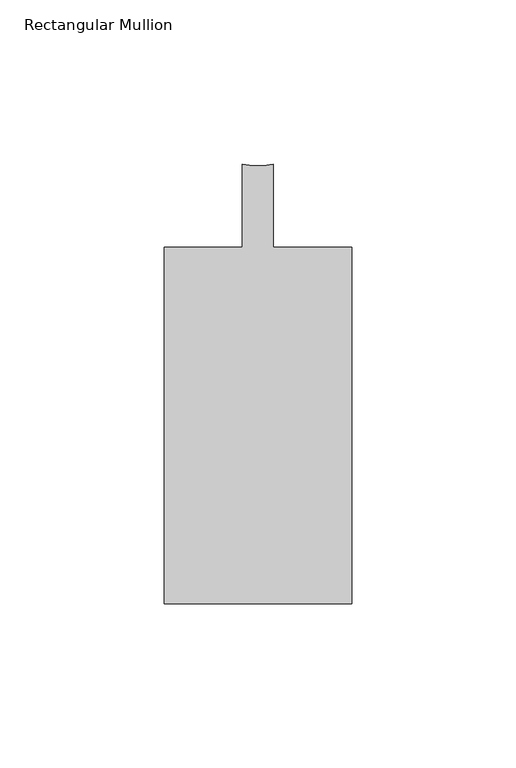
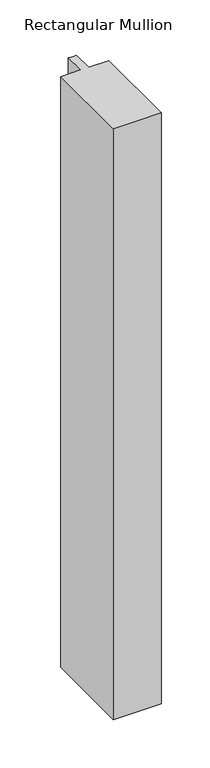
"""IFC4 building model written with IfcOpenShell, lengths in millimetres: member geometry, Rectangular Mullion."""

from ifc_helpers import new_model, si_unit, point, frame, frame_2d, origin, place, context, project, spatial, polyline, circle_curve, trimmed, segment, composite_curve, outline, extrude, source, transform, mapped, element, save


def rectangular_mullion_323adf8f(model_context):
    return source(origin(), model_context, "Body", "SweptSolid", [
        extrude(outline(composite_curve([segment(polyline([(-28.575, -12.7), (-4.7624873, -12.7), (-4.7624873, 12.7)]), True, "CONTINUOUS"), segment(trimmed(circle_curve(frame_2d((1.27e-05, 29.4539151)), 17.4176657), [point((-4.7624873, 12.7))], [point((4.7625127, 12.7))], True, "CARTESIAN"), True, "CONTINUOUS"), segment(polyline([(4.7625127, 12.7), (4.7625127, -12.7), (28.575, -12.7), (28.575, -121.2596), (-28.575, -121.2596), (-28.575, -12.7)]), True, "CONTINUOUS")], self_intersect=False)), frame((0.0, 0.0, -743.9157293), z_axis=(0.0, 0.0, 1.0), x_axis=(1.0, 0.0, 0.0)), (0.0, 0.0, 1.0), 743.9157293),
    ])


if __name__ == "__main__":
    model = new_model("IFC4")
    model_context = context("Model", 3, world=origin())
    ifc_project = project(units=[si_unit("LENGTHUNIT", "METRE", prefix="MILLI")], contexts=[model_context])
    site = spatial("IfcSite", under=ifc_project)
    building = spatial("IfcBuilding", under=site)
    placement = place(None, origin())
    rectangular_mullion_shape = rectangular_mullion_323adf8f(model_context)
    element("IfcMember", 1, ObjectType="Rectangular Mullion", at=placement, inside=building, context=model_context, shape_type="MappedRepresentation", body=[
        mapped(rectangular_mullion_shape, transform((0.0, 0.0, 0.0), x_axis=(1.0, 0.0, 0.0), y_axis=(0.0, 1.0, 0.0), z_axis=(0.0, 0.0, 1.0))),
    ])
    save(model, "model.ifc")
